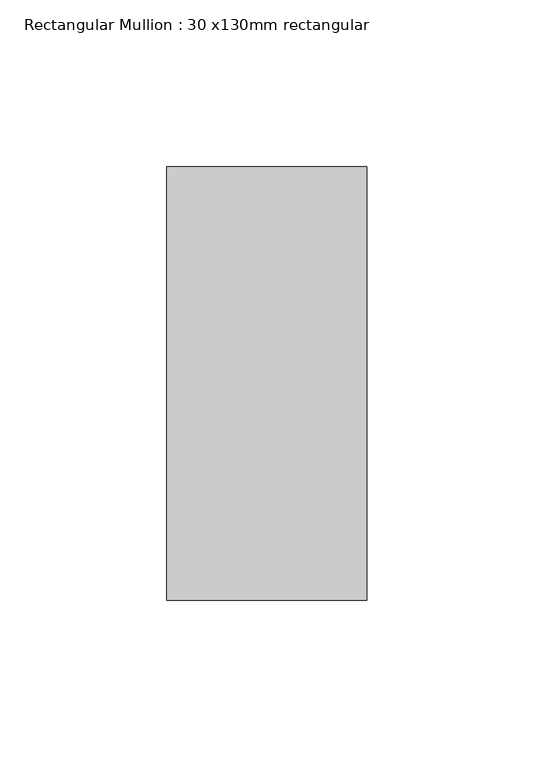
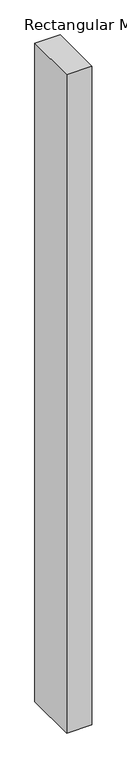
"""IFC4 building model written with IfcOpenShell, lengths in millimetres: member geometry, Rectangular Mullion : 30 x130mm rectangular."""

from ifc_helpers import new_model, si_unit, frame, origin, place, context, project, spatial, polyline, outline, extrude, source, transform, mapped, element, save


def rectangular_mullion_30_x130mm_rectangular_39bc7ce8(model_context):
    return source(origin(), model_context, "Body", "SweptSolid", [
        extrude(outline(polyline([(0.0, 65.0), (0.0, -65.0), (-60.0, -65.0), (-60.0, 65.0), (0.0, 65.0)])), frame((0.0, 0.0, -1649.853083), z_axis=(0.0, 0.0, 1.0), x_axis=(1.0, 0.0, 0.0)), (0.0, 0.0, 1.0), 1649.853083),
    ])


if __name__ == "__main__":
    model = new_model("IFC4")
    model_context = context("Model", 3, world=origin())
    ifc_project = project(units=[si_unit("LENGTHUNIT", "METRE", prefix="MILLI")], contexts=[model_context])
    site = spatial("IfcSite", under=ifc_project)
    building = spatial("IfcBuilding", under=site)
    placement = place(None, origin())
    rectangular_mullion_30_x130mm_rectangular_shape = rectangular_mullion_30_x130mm_rectangular_39bc7ce8(model_context)
    element("IfcMember", 1, ObjectType="Rectangular Mullion : 30 x130mm rectangular", at=placement, inside=building, context=model_context, shape_type="MappedRepresentation", body=[
        mapped(rectangular_mullion_30_x130mm_rectangular_shape, transform((0.0, 0.0, 0.0), x_axis=(1.0, 0.0, 0.0), y_axis=(0.0, 1.0, 0.0), z_axis=(0.0, 0.0, 1.0))),
    ])
    save(model, "model.ifc")
